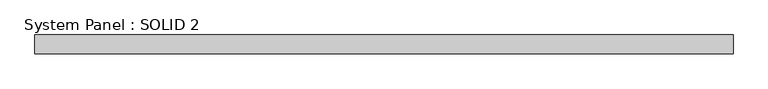
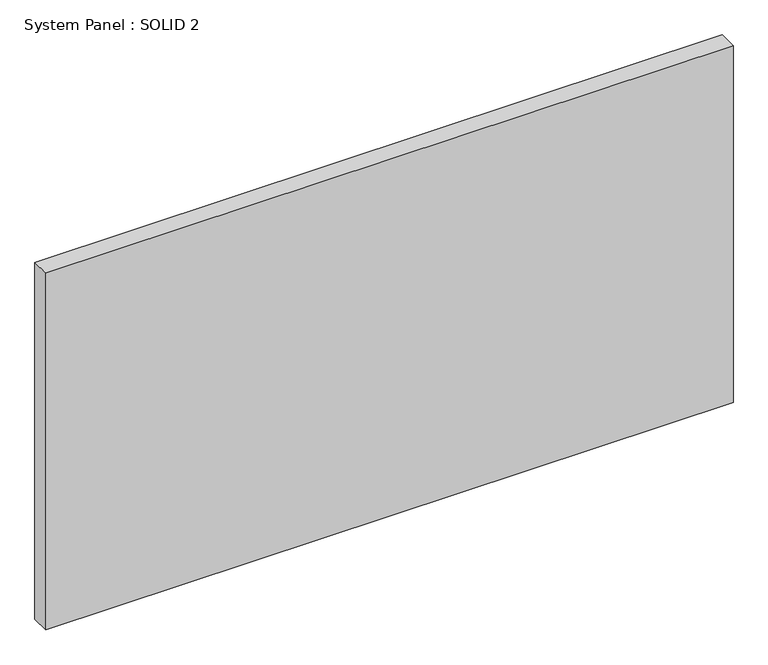
"""IFC4 building model written with IfcOpenShell, lengths in millimetres: plate geometry, System Panel : SOLID 2."""

from ifc_helpers import new_model, si_unit, origin, origin_with_axes, place, context, project, spatial, polyline, outline, extrude, source, transform, mapped, element, save


def system_panel_solid_2_1cdd1dcc(model_context):
    return source(origin(), model_context, "Body", "SweptSolid", [
        extrude(outline(polyline([(1465.0, 80.0), (-1465.0, 80.0), (-1465.0, 160.0), (1465.0, 160.0), (1465.0, 80.0)])), origin_with_axes(), (0.0, 0.0, 1.0), 1609.0),
    ])


if __name__ == "__main__":
    model = new_model("IFC4")
    model_context = context("Model", 3, world=origin())
    ifc_project = project(units=[si_unit("LENGTHUNIT", "METRE", prefix="MILLI")], contexts=[model_context])
    site = spatial("IfcSite", under=ifc_project)
    building = spatial("IfcBuilding", under=site)
    placement = place(None, origin())
    system_panel_solid_2_shape = system_panel_solid_2_1cdd1dcc(model_context)
    element("IfcPlate", 1, ObjectType="System Panel : SOLID 2", at=placement, inside=building, context=model_context, shape_type="MappedRepresentation", body=[
        mapped(system_panel_solid_2_shape, transform((0.0, 0.0, 0.0), x_axis=(1.0, 0.0, 0.0), y_axis=(0.0, 1.0, 0.0), z_axis=(0.0, 0.0, 1.0))),
    ])
    save(model, "model.ifc")
